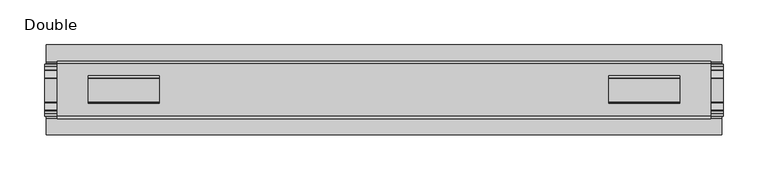
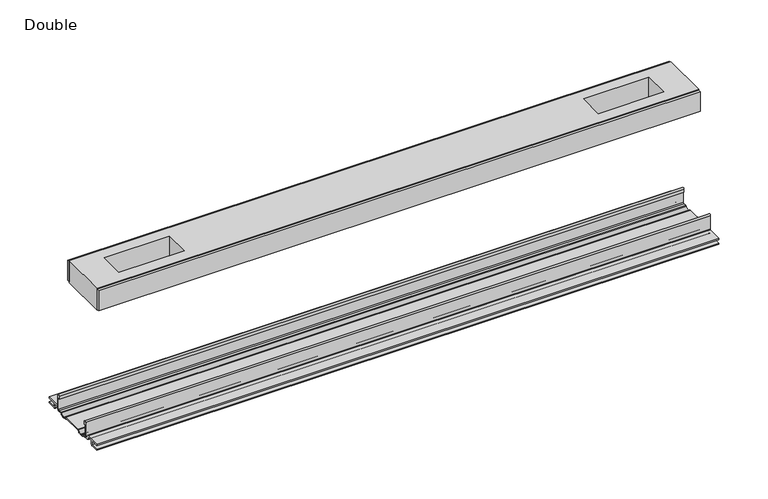
"""IFC4 building model written with IfcOpenShell, lengths in millimetres: proxy geometry, Double."""

from ifc_helpers import new_model, si_unit, point, frame, frame_2d, origin, place, context, project, spatial, polyline, circle_curve, trimmed, segment, composite_curve, outline, extrude, source, transform, mapped, element, save


def double_1303dec0(model_context):
    return source(origin(), model_context, "Body", "SweptSolid", [
        extrude(outline(polyline([(364.0420089, 29.0068005), (-364.0420089, 29.0068005), (-364.0420089, 32.1817997), (364.0420089, 32.1817997), (364.0420089, 29.0068005)])), frame((0.0, 0.0, 149.8401622), z_axis=(0.0, 0.0, 1.0), x_axis=(1.0, 0.0, 0.0)), (0.0, 0.0, 1.0), 25.3999939),
        extrude(outline(polyline([(364.0420089, -32.1817997), (-364.0420089, -32.1817997), (-364.0420089, -29.0068005), (364.0420089, -29.0068005), (364.0420089, -32.1817997)])), frame((0.0, 0.0, 149.8401622), z_axis=(0.0, 0.0, 1.0), x_axis=(1.0, 0.0, 0.0)), (0.0, 0.0, 1.0), 25.3999939),
        extrude(outline(polyline([(364.0420089, -29.0068005), (-364.0420089, -29.0068005), (-364.0420089, 29.0068005), (364.0420089, 29.0068005), (364.0420089, -29.0068005)]), holes=[polyline([(329.6249963, -15.1130038), (329.6249963, 15.875003), (250.5801845, 15.875003), (250.5801845, -15.1130038), (329.6249963, -15.1130038)]), polyline([(-329.6249963, -15.1130038), (-250.5801845, -15.1130038), (-250.5801845, 15.875003), (-329.6249963, 15.875003), (-329.6249963, -15.1130038)])]), frame((0.0, 0.0, 148.4185847), z_axis=(0.0, 0.0, 1.0), x_axis=(1.0, 0.0, 0.0)), (0.0, 0.0, 1.0), 27.9999988),
        extrude(outline(composite_curve([segment(trimmed(circle_curve(frame_2d((26.6420561, -7.7516037)), 2.17424), [point((28.8162961, -7.7516037))], [point((26.6420561, -9.9258438))], False, "CARTESIAN"), True, "CONTINUOUS"), segment(polyline([(26.6420561, -9.9258438), (22.3510694, -9.9258438)]), True, "CONTINUOUS"), segment(trimmed(circle_curve(frame_2d((17.7706549, -6.4800016)), 5.7318431), [point((22.3510694, -9.9258438))], [point((13.1902404, -9.9258438))], False, "CARTESIAN"), True, "CONTINUOUS"), segment(polyline([(13.1902404, -9.9258438), (-13.57124, -9.9258438)]), True, "CONTINUOUS"), segment(trimmed(circle_curve(frame_2d((-18.1516545, -6.4800016)), 5.7318431), [point((-13.57124, -9.9258438))], [point((-22.732069, -9.9258438))], False, "CARTESIAN"), True, "CONTINUOUS"), segment(polyline([(-22.732069, -9.9258438), (-27.0230557, -9.9258438)]), True, "CONTINUOUS"), segment(trimmed(circle_curve(frame_2d((-27.0230557, -7.7516037)), 2.17424), [point((-27.0230557, -9.9258438))], [point((-29.1972958, -7.7516037))], False, "CARTESIAN"), True, "CONTINUOUS"), segment(polyline([(-29.1972958, -7.7516037), (-29.1972958, 9.8607558)]), True, "CONTINUOUS"), segment(trimmed(circle_curve(frame_2d((-27.9780978, 9.8607558)), 1.2191979), [point((-29.1972958, 9.8607558))], [point((-26.7588999, 9.8607558))], False, "CARTESIAN"), True, "CONTINUOUS"), segment(polyline([(-26.7588999, 9.8607558), (-26.7588999, 5.9999563), (-28.0390765, 5.9999563), (-28.0390765, -7.7516037)]), True, "CONTINUOUS"), segment(trimmed(circle_curve(frame_2d((-27.0230557, -7.7516037)), 1.0160208), [point((-28.0390765, -7.7516037))], [point((-27.0295728, -8.7676036))], True, "CARTESIAN"), True, "CONTINUOUS"), segment(polyline([(-27.0295728, -8.7676036), (-23.0866222, -8.7676036), (-22.1732605, -8.968753)]), True, "CONTINUOUS"), segment(trimmed(circle_curve(frame_2d((-18.1483018, -6.1259382)), 4.9276657), [point((-22.1732605, -8.968753))], [point((-14.123343, -8.968753))], True, "CARTESIAN"), True, "CONTINUOUS"), segment(polyline([(-14.123343, -8.968753), (-13.2099722, -8.7676036), (12.8289726, -8.7676036), (13.7423434, -8.968753)]), True, "CONTINUOUS"), segment(trimmed(circle_curve(frame_2d((17.7673021, -6.1259382)), 4.9276657), [point((13.7423434, -8.968753))], [point((21.7922609, -8.968753))], True, "CARTESIAN"), True, "CONTINUOUS"), segment(polyline([(21.7922609, -8.968753), (22.7056226, -8.7676036), (26.6485732, -8.7676036)]), True, "CONTINUOUS"), segment(trimmed(circle_curve(frame_2d((26.6420561, -7.7516037)), 1.0160208), [point((26.6485732, -8.7676036))], [point((27.6580769, -7.7516037))], True, "CARTESIAN"), True, "CONTINUOUS"), segment(polyline([(27.6580769, -7.7516037), (27.6580769, 5.9999563), (26.3779003, 5.9999563), (26.3779003, 9.8607558)]), True, "CONTINUOUS"), segment(trimmed(circle_curve(frame_2d((27.5970982, 9.8607558)), 1.2191979), [point((26.3779003, 9.8607558))], [point((28.8162961, 9.8607558))], False, "CARTESIAN"), True, "CONTINUOUS"), segment(polyline([(28.8162961, 9.8607558), (28.8162961, -7.7516037)]), True, "CONTINUOUS")], self_intersect=False)), frame((-378.1008998, 0.0, 0.0), z_axis=(1.0, 0.0, 0.0), x_axis=(0.0, 1.0, 0.0)), (0.0, 0.0, 1.0), 756.2017997),
        extrude(outline(composite_curve([segment(polyline([(50.2668422, -13.9898438), (39.6557522, -13.9898438)]), True, "CONTINUOUS"), segment(trimmed(circle_curve(frame_2d((39.6557522, -12.4658438)), 1.524), [point((39.6557522, -13.9898438))], [point((38.1317522, -12.4658438))], False, "CARTESIAN"), True, "CONTINUOUS"), segment(polyline([(38.1317522, -12.4658438), (38.1317522, -7.766844), (31.3054974, -7.766844), (31.3054974, -10.0528438)]), True, "CONTINUOUS"), segment(trimmed(circle_curve(frame_2d((29.7814974, -10.0528438)), 1.524), [point((31.3054974, -10.0528438))], [point((29.7814974, -11.5768438))], False, "CARTESIAN"), True, "CONTINUOUS"), segment(polyline([(29.7814974, -11.5768438), (23.2753553, -11.5768438)]), True, "CONTINUOUS"), segment(trimmed(circle_curve(frame_2d((17.7673021, -6.4968436)), 7.4930002), [point((23.2753553, -11.5768438))], [point((12.5094972, -11.8354331))], False, "CARTESIAN"), True, "CONTINUOUS"), segment(polyline([(12.5094972, -11.8354331), (-12.8904968, -11.8354331)]), True, "CONTINUOUS"), segment(trimmed(circle_curve(frame_2d((-18.1483018, -6.4968436)), 7.4930002), [point((-12.8904968, -11.8354331))], [point((-23.6563549, -11.5768438))], False, "CARTESIAN"), True, "CONTINUOUS"), segment(polyline([(-23.6563549, -11.5768438), (-30.1624971, -11.5768438)]), True, "CONTINUOUS"), segment(trimmed(circle_curve(frame_2d((-30.1624971, -10.0528438)), 1.524), [point((-30.1624971, -11.5768438))], [point((-31.686497, -10.0528438))], False, "CARTESIAN"), True, "CONTINUOUS"), segment(polyline([(-31.686497, -10.0528438), (-31.686497, -7.766844), (-38.5127519, -7.766844), (-38.5127519, -12.4658438)]), True, "CONTINUOUS"), segment(trimmed(circle_curve(frame_2d((-40.0367518, -12.4658438)), 1.524), [point((-38.5127519, -12.4658438))], [point((-40.0367518, -13.9898438))], False, "CARTESIAN"), True, "CONTINUOUS"), segment(polyline([(-40.0367518, -13.9898438), (-50.00625, -13.9898438), (-50.00625, -12.3388438), (-40.1637503, -12.3388438), (-40.1637503, -7.766844), (-50.00625, -7.766844), (-50.00625, -6.1158439), (-31.6239218, -6.1158439)]), True, "CONTINUOUS"), segment(trimmed(circle_curve(frame_2d((-31.6864982, -7.7656583)), 1.6510007), [point((-31.6239218, -6.1158439))], [point((-30.0354975, -7.7656583))], False, "CARTESIAN"), True, "CONTINUOUS"), segment(polyline([(-30.0354975, -7.7656583), (-30.0354975, -9.9258438), (-23.486834, -9.9258438)]), True, "CONTINUOUS"), segment(trimmed(circle_curve(frame_2d((-18.1483018, -5.2268471)), 7.1119966), [point((-23.486834, -9.9258438))], [point((-12.8097695, -9.9258438))], True, "CARTESIAN"), True, "CONTINUOUS"), segment(polyline([(-12.8097695, -9.9258438), (12.4287699, -9.9258438)]), True, "CONTINUOUS"), segment(trimmed(circle_curve(frame_2d((17.7673021, -5.2268471)), 7.1119966), [point((12.4287699, -9.9258438))], [point((23.1058344, -9.9258438))], True, "CARTESIAN"), True, "CONTINUOUS"), segment(polyline([(23.1058344, -9.9258438), (29.6544978, -9.9258438), (29.6544978, -7.6398436)]), True, "CONTINUOUS"), segment(trimmed(circle_curve(frame_2d((31.1784975, -7.6398436)), 1.5239997), [point((29.6544978, -7.6398436))], [point((31.1784975, -6.1158439))], False, "CARTESIAN"), True, "CONTINUOUS"), segment(polyline([(31.1784975, -6.1158439), (50.2668422, -6.1158439), (50.2240211, -7.766844), (39.7827507, -7.766844), (39.7827507, -12.3388438), (50.2240211, -12.3388438), (50.2668422, -13.9898438)]), True, "CONTINUOUS")], self_intersect=False)), frame((-376.4498998, 0.0, 0.0), z_axis=(1.0, 0.0, 0.0), x_axis=(0.0, 1.0, 0.0)), (0.0, 0.0, 1.0), 752.8997997),
    ])


if __name__ == "__main__":
    model = new_model("IFC4")
    model_context = context("Model", 3, world=origin())
    ifc_project = project(units=[si_unit("LENGTHUNIT", "METRE", prefix="MILLI")], contexts=[model_context])
    site = spatial("IfcSite", under=ifc_project)
    building = spatial("IfcBuilding", under=site)
    placement = place(None, origin())
    double_shape = double_1303dec0(model_context)
    element("IfcBuildingElementProxy", 1, Name="Double", ObjectType="Double", at=placement, inside=building, context=model_context, shape_type="MappedRepresentation", body=[
        mapped(double_shape, transform((0.0, 0.0, 0.0), x_axis=(1.0, 0.0, 0.0), y_axis=(0.0, 1.0, 0.0), z_axis=(0.0, 0.0, 1.0))),
    ])
    save(model, "model.ifc")
